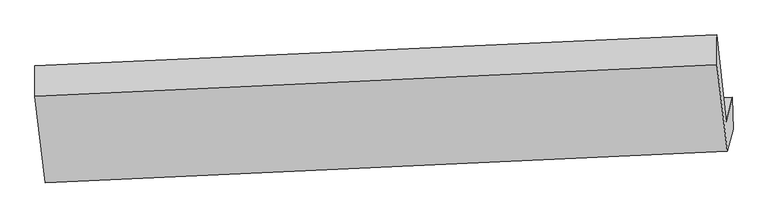
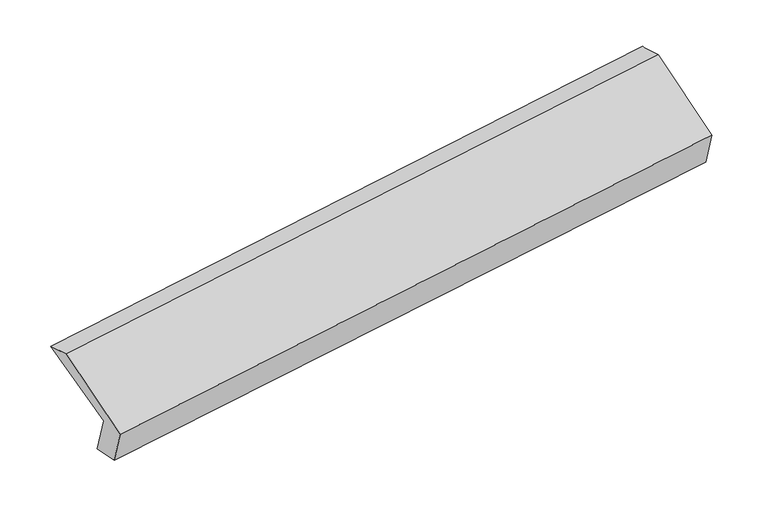
"""IFC4 building model written with IfcOpenShell, lengths in millimetres: proxy geometry."""

from ifc_helpers import new_model, si_unit, frame, origin, place, context, project, spatial, source, transform, mapped, element, save
from ifc_brep_helpers import plane_surface, spline_surface, advanced_brep


def generic_models_bacfa997(model_context):
    return source(origin(), model_context, "Body", "AdvancedBrep", [
        advanced_brep(
        [(-5166.1725897, -1600.2415522, 1253.4480167), (-5207.6449743, -1759.3102641, 1594.3810685), (-503.7488141, -1547.6613052, 2276.431291), (-460.0849908, -1380.1872574, 1917.4830255), (-5161.8810553, -1820.1325024, 1291.232002), (-455.7934564, -1600.0782075, 1955.2670107), (-5200.6624399, -1968.8797942, 1610.0430841), (-495.6705603, -1753.0281673, 2283.0856997), (-5272.297418, -1371.7407387, 1929.4039856), (-567.3055384, -1155.8891118, 2602.4466012), (-5272.4327426, -1161.5716341, 1865.3862122), (-568.5365824, -949.9226752, 2547.4364346)],
        [
            (0, 1),
            (1, 2),
            (2, 3),
            (3, 0),
            (4, 0),
            (3, 5),
            (5, 4),
            (6, 4),
            (5, 7),
            (7, 6),
            (8, 6),
            (7, 9),
            (9, 8),
            (10, 8),
            (9, 11),
            (11, 10),
            (1, 10),
            (11, 2),
        ],
        [
            plane_surface(frame((-5186.908782, -1679.7759082, 1423.9145426), z_axis=(-0.10031727605072895, 0.9062657204843901, 0.410632302675607), x_axis=(-0.10957193303323416, -0.42026679730149513, 0.9007606844091857))),
            plane_surface(frame((-5164.0268225, -1710.1870273, 1272.3400093), z_axis=(0.14535820584270573, -0.16479382396386447, -0.9755582953250699), x_axis=(-0.019231197081325837, 0.9853739361212294, -0.1693173560854722))),
            plane_surface(frame((-5181.2717476, -1894.5061483, 1450.637543), z_axis=(0.1003172760507289, -0.9062657204843897, -0.4106323026756078), x_axis=(0.10957193303321304, 0.42026679730149497, -0.9007606844091883))),
            plane_surface(frame((-5236.4799289, -1670.3102665, 1769.7235348), z_axis=(-0.10277266781955319, -0.4786690104086482, 0.8719597222484863), x_axis=(0.10519800836447159, -0.8769157334680175, -0.46899059205105315))),
            spline_surface(1, 1, [[(-5272.4327426, -1161.5716341, 1865.3862122), (-568.5365824, -949.9226752, 2547.4364346)], [(-5272.297418, -1371.7407387, 1929.4039856), (-567.3055384, -1155.8891118, 2602.4466012)]], [2, 2], [2, 2], [0.0, 1.0], [0.0, 1.0]),
            plane_surface(frame((-5240.0388585, -1460.4409491, 1729.8836403), z_axis=(0.11165062506302015, 0.42035722069451126, -0.9004631835522333), x_axis=(-0.09823855898751917, 0.9063590741576112, 0.4109287215810226))),
            plane_surface(frame((-508.5233237, -1397.7944541, 2263.6916771), z_axis=(0.9891123176967419, 0.04346317726647253, 0.14059792033484234), x_axis=(0.10519800836447159, -0.8769157334680175, -0.46899059205105315))),
            plane_surface(frame((-5213.5152033, -1613.646081, 1590.6490615), z_axis=(-0.9891123176967423, -0.04346317726646824, -0.14059792033484098), x_axis=(0.10957193303321351, 0.42026679730149546, -0.900760684409188))),
        ],
        [
            (0, [[1, 2, 3, 4]]),
            (1, [[5, -4, 6, 7]]),
            (2, [[8, -7, 9, 10]]),
            (3, [[11, -10, 12, 13]]),
            (4, [[14, -13, 15, 16]]),
            (5, [[17, -16, 18, -2]]),
            (6, [[-12, -9, -6, -3, -18, -15]]),
            (7, [[-1, -5, -8, -11, -14, -17]]),
        ],
    ),
    ])


if __name__ == "__main__":
    model = new_model("IFC4")
    model_context = context("Model", 3, world=origin())
    ifc_project = project(units=[si_unit("LENGTHUNIT", "METRE", prefix="MILLI")], contexts=[model_context])
    site = spatial("IfcSite", under=ifc_project)
    building = spatial("IfcBuilding", under=site)
    placement = place(None, origin())
    generic_models_shape = generic_models_bacfa997(model_context)
    element("IfcBuildingElementProxy", 1, Name="Generic Models", at=placement, inside=building, context=model_context, shape_type="MappedRepresentation", body=[
        mapped(generic_models_shape, transform((0.0, 0.0, 0.0), x_axis=(1.0, 0.0, 0.0), y_axis=(0.0, 1.0, 0.0), z_axis=(0.0, 0.0, 1.0))),
    ])
    save(model, "model.ifc")
